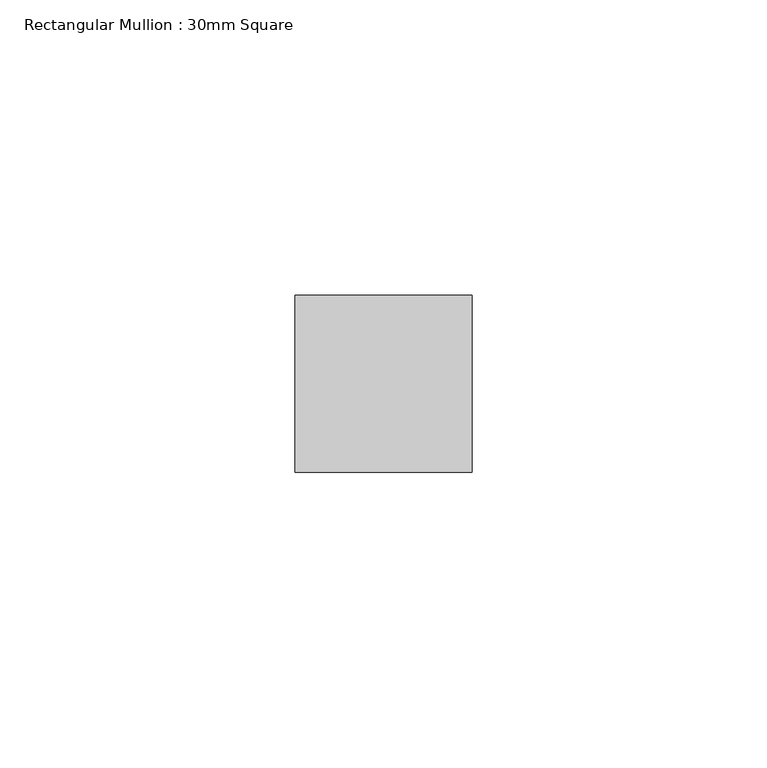
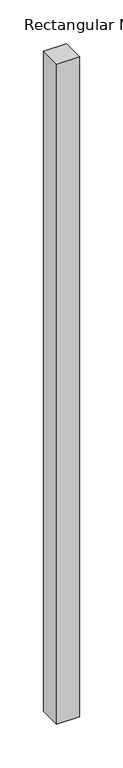
"""IFC4 building model written with IfcOpenShell, lengths in millimetres: member geometry, Rectangular Mullion : 30mm Square."""

from ifc_helpers import new_model, si_unit, frame, origin, place, context, project, spatial, polyline, outline, extrude, source, transform, mapped, element, save


def rectangular_mullion_30mm_square_facd3e80(model_context):
    return source(origin(), model_context, "Body", "SweptSolid", [
        extrude(outline(polyline([(0.0, 15.0), (0.0, -15.0), (-30.0, -15.0), (-30.0, 15.0), (0.0, 15.0)])), frame((0.0, 0.0, -920.0), z_axis=(0.0, 0.0, 1.0), x_axis=(1.0, 0.0, 0.0)), (0.0, 0.0, 1.0), 920.0),
    ])


if __name__ == "__main__":
    model = new_model("IFC4")
    model_context = context("Model", 3, world=origin())
    ifc_project = project(units=[si_unit("LENGTHUNIT", "METRE", prefix="MILLI")], contexts=[model_context])
    site = spatial("IfcSite", under=ifc_project)
    building = spatial("IfcBuilding", under=site)
    placement = place(None, origin())
    rectangular_mullion_30mm_square_shape = rectangular_mullion_30mm_square_facd3e80(model_context)
    element("IfcMember", 1, ObjectType="Rectangular Mullion : 30mm Square", at=placement, inside=building, context=model_context, shape_type="MappedRepresentation", body=[
        mapped(rectangular_mullion_30mm_square_shape, transform((0.0, 0.0, 0.0), x_axis=(1.0, 0.0, 0.0), y_axis=(0.0, 1.0, 0.0), z_axis=(0.0, 0.0, 1.0))),
    ])
    save(model, "model.ifc")
